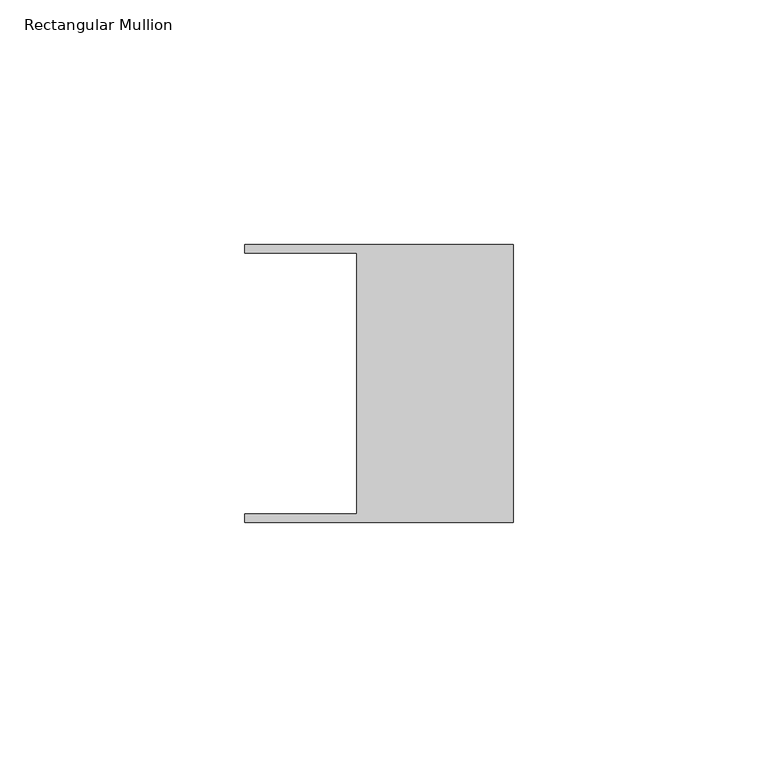
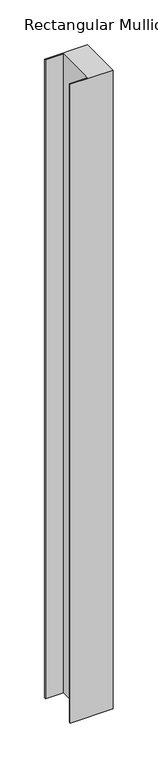
"""IFC4 building model written with IfcOpenShell, lengths in millimetres: member geometry, Rectangular Mullion."""

from ifc_helpers import new_model, si_unit, frame, origin, place, context, project, spatial, polyline, outline, extrude, source, transform, mapped, element, save


def rectangular_mullion_89950b42(model_context):
    return source(origin(), model_context, "Body", "SweptSolid", [
        extrude(outline(polyline([(-32.004, 26.67), (-54.991, 26.67), (-54.991, 28.448), (0.0, 28.448), (0.0, -28.448), (-54.991, -28.448), (-54.991, -26.67), (-32.004, -26.67), (-32.004, 26.67)])), frame((0.0, 0.0, -868.0830492), z_axis=(0.0, 0.0, 1.0), x_axis=(1.0, 0.0, 0.0)), (0.0, 0.0, 1.0), 868.0830492),
    ])


if __name__ == "__main__":
    model = new_model("IFC4")
    model_context = context("Model", 3, world=origin())
    ifc_project = project(units=[si_unit("LENGTHUNIT", "METRE", prefix="MILLI")], contexts=[model_context])
    site = spatial("IfcSite", under=ifc_project)
    building = spatial("IfcBuilding", under=site)
    placement = place(None, origin())
    rectangular_mullion_shape = rectangular_mullion_89950b42(model_context)
    element("IfcMember", 1, ObjectType="Rectangular Mullion", at=placement, inside=building, context=model_context, shape_type="MappedRepresentation", body=[
        mapped(rectangular_mullion_shape, transform((0.0, 0.0, 0.0), x_axis=(1.0, 0.0, 0.0), y_axis=(0.0, 1.0, 0.0), z_axis=(0.0, 0.0, 1.0))),
    ])
    save(model, "model.ifc")
